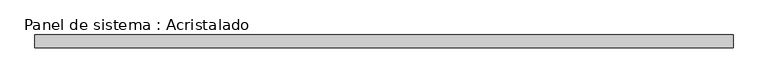
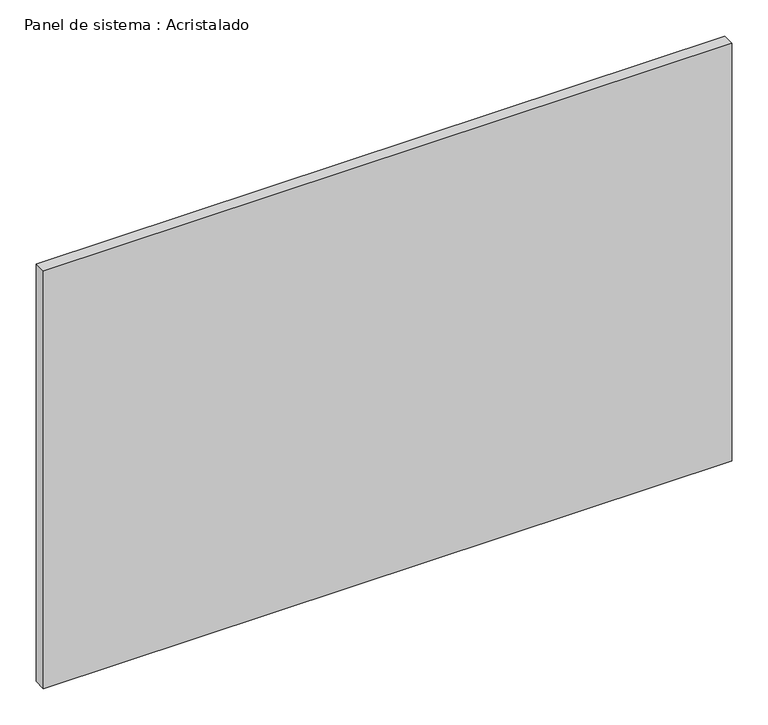
"""IFC4 building model written with IfcOpenShell, lengths in millimetres: plate geometry, Panel de sistema : Acristalado."""

from ifc_helpers import new_model, si_unit, origin, origin_with_axes, place, context, project, spatial, polyline, outline, extrude, source, transform, mapped, element, save


def panel_de_sistema_acristalado_59808820(model_context):
    return source(origin(), model_context, "Body", "SweptSolid", [
        extrude(outline(polyline([(550.0, -10.0), (-550.0, -10.0), (-550.0, 10.0), (550.0, 10.0), (550.0, -10.0)])), origin_with_axes(), (0.0, 0.0, 1.0), 705.5531804),
    ])


if __name__ == "__main__":
    model = new_model("IFC4")
    model_context = context("Model", 3, world=origin())
    ifc_project = project(units=[si_unit("LENGTHUNIT", "METRE", prefix="MILLI")], contexts=[model_context])
    site = spatial("IfcSite", under=ifc_project)
    building = spatial("IfcBuilding", under=site)
    placement = place(None, origin())
    panel_de_sistema_acristalado_shape = panel_de_sistema_acristalado_59808820(model_context)
    element("IfcPlate", 1, ObjectType="Panel de sistema : Acristalado", at=placement, inside=building, context=model_context, shape_type="MappedRepresentation", body=[
        mapped(panel_de_sistema_acristalado_shape, transform((0.0, 0.0, 0.0), x_axis=(1.0, 0.0, 0.0), y_axis=(0.0, 1.0, 0.0), z_axis=(0.0, 0.0, 1.0))),
    ])
    save(model, "model.ifc")
